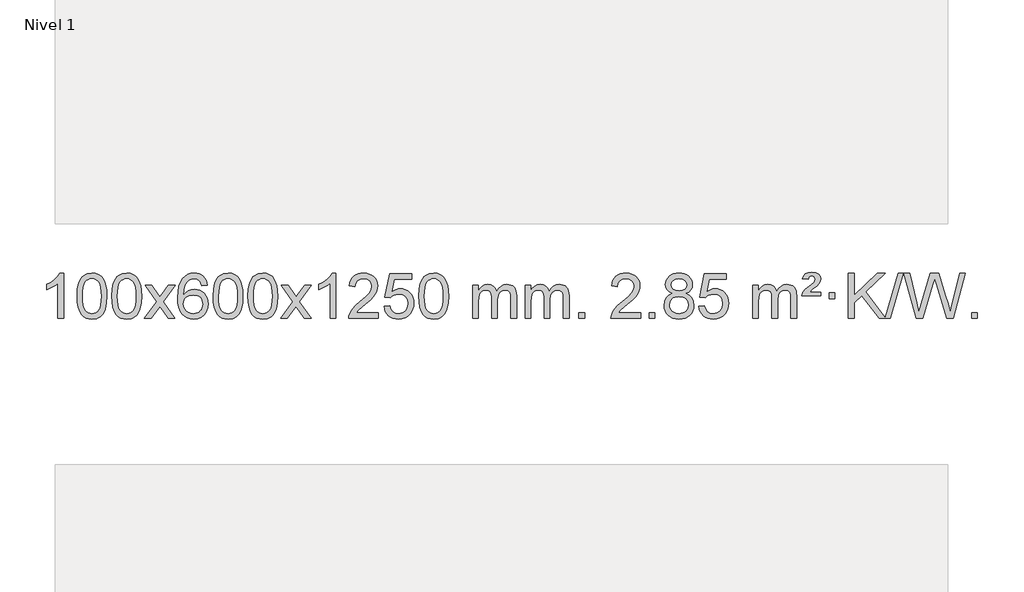
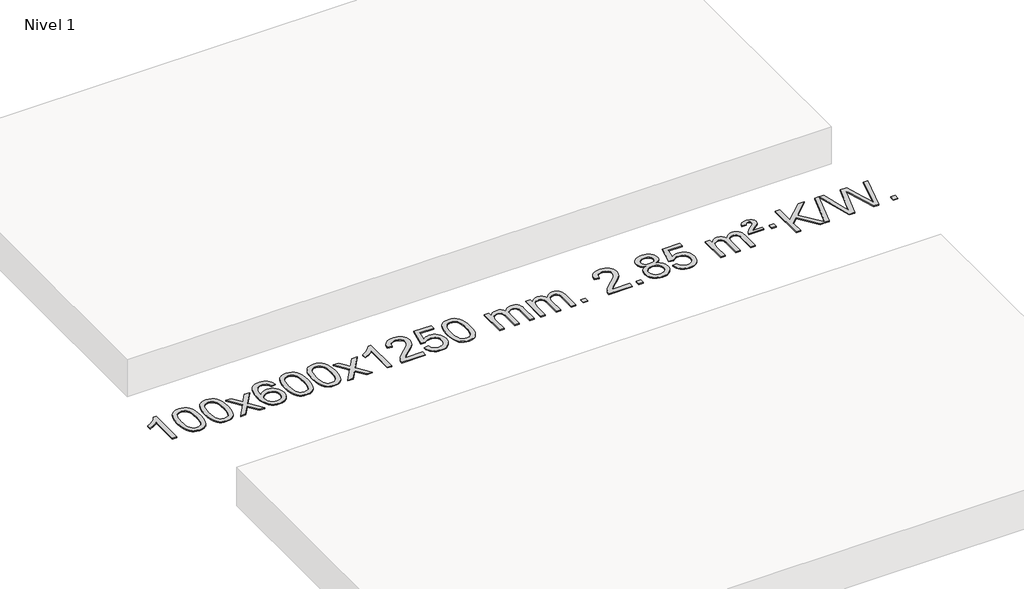
# One storey, part 3 of 5: 1 proxy.
"""IFC4 building model written with IfcOpenShell, lengths in millimetres."""

from ifc_helpers import new_model, si_unit, origin, origin_with_axes, place, context, project, spatial, polyline, outline, extrude, element, save

model = new_model("IFC4")

# Units and contexts
model_context = context("Model", 3, world=origin())
ifc_project = project(units=[si_unit("LENGTHUNIT", "METRE", prefix="MILLI")], contexts=[model_context])

# Site, building, storey
site = spatial("IfcSite", under=ifc_project)
building = spatial("IfcBuilding", under=site)
storey = spatial("IfcBuildingStorey", under=building, Name="Nivel 1", Elevation=0.0)

# Proxy
placement = place(None, origin())
element("IfcBuildingElementProxy", 1, Name="Texto de modelo 1", ObjectType="Texto de modelo 1", at=placement, inside=storey, context=model_context, shape_type="SweptSolid", body=[
    extrude(outline(polyline([(-25945.4422492, -6484.6168569), (-25995.6704043, -6484.6168569), (-25995.6704043, -6171.4757026), (-26016.639678, -6188.4350626), (-26043.249809, -6205.3698971), (-26096.1267145, -6230.7292293), (-26096.1267145, -6183.2479264), (-26056.6775018, -6161.7881434), (-26022.5012645, -6136.2571329), (-25995.5600397, -6109.1074417), (-25977.8158648, -6082.7916163), (-25945.4422492, -6082.7916163), (-25945.4422492, -6484.6168569)])), origin_with_axes(), (0.0, 0.0, 1.0), 10.0),
    extrude(outline(polyline([(-25826.1503809, -6286.9415981), (-25822.4592982, -6222.6235626), (-25811.3860502, -6171.3285498), (-25793.0410014, -6132.2717446), (-25781.1829384, -6117.0383643), (-25767.5345164, -6104.6683323), (-25752.0497501, -6095.097269), (-25734.6826542, -6088.2607953), (-25694.3014739, -6082.7916163), (-25663.3503353, -6086.0289778), (-25635.6365584, -6095.7410625), (-25612.4599927, -6111.5477256), (-25595.120488, -6133.0688223), (-25582.0238889, -6160.1204117), (-25571.5760403, -6192.5185527), (-25564.7334352, -6233.6600225), (-25562.4525668, -6286.9415981), (-25566.1068613, -6350.8917516), (-25577.0697447, -6402.0641372), (-25595.304429, -6441.1577305), (-25607.1349008, -6456.437096), (-25620.7741258, -6468.8715075), (-25636.2772862, -6478.5069501), (-25653.6995643, -6485.3894091), (-25694.3014739, -6490.8953763), (-25721.9661999, -6488.5041433), (-25746.4916662, -6481.3304444), (-25767.8778729, -6469.3742795), (-25786.1248199, -6452.6356488), (-25803.6360028, -6422.3773547), (-25816.1439907, -6384.6755815), (-25823.6487834, -6339.5303293), (-25826.1503809, -6286.9415981)]), holes=[polyline([(-25775.9222259, -6286.8434963), (-25774.4506979, -6330.5080234), (-25770.0361139, -6365.8522861), (-25762.678474, -6392.8762843), (-25752.3777782, -6411.5800181), (-25739.9188413, -6424.3056694), (-25726.0864782, -6433.3954204), (-25710.8806891, -6438.849271), (-25694.3014739, -6440.6672212), (-25677.7222586, -6438.8431396), (-25662.5164695, -6433.3708949), (-25648.6841065, -6424.2504871), (-25636.2251696, -6411.4819162), (-25625.9244737, -6392.7475256), (-25618.5668338, -6365.7296588), (-25614.1522498, -6330.4283156), (-25612.6807219, -6286.8434963), (-25614.1031989, -6244.3347317), (-25618.3706301, -6209.6128027), (-25625.4830153, -6182.6777093), (-25635.4403546, -6163.5294515), (-25647.6908251, -6150.1814664), (-25661.6826036, -6140.6471914), (-25677.4156903, -6134.9266264), (-25694.8900851, -6133.0197713), (-25711.3834612, -6134.6997658), (-25726.3317329, -6139.7397491), (-25739.7349003, -6148.1397213), (-25751.5929632, -6159.8996825), (-25762.2370156, -6180.7463289), (-25769.8399102, -6208.8525133), (-25774.4016469, -6244.2182358), (-25775.9222259, -6286.8434963)])]), origin_with_axes(), (0.0, 0.0, 1.0), 10.0),
    extrude(outline(polyline([(-25518.5029311, -6286.9415981), (-25514.8118484, -6222.6235626), (-25503.7386004, -6171.3285498), (-25485.3935515, -6132.2717446), (-25473.5354886, -6117.0383643), (-25459.8870665, -6104.6683323), (-25444.4023002, -6095.097269), (-25427.0352044, -6088.2607953), (-25386.654024, -6082.7916163), (-25355.7028855, -6086.0289778), (-25327.9891085, -6095.7410625), (-25304.8125428, -6111.5477256), (-25287.4730381, -6133.0688223), (-25274.3764391, -6160.1204117), (-25263.9285904, -6192.5185527), (-25257.0859853, -6233.6600225), (-25254.805117, -6286.9415981), (-25258.4594114, -6350.8917516), (-25269.4222949, -6402.0641372), (-25287.6569791, -6441.1577305), (-25299.487451, -6456.437096), (-25313.1266759, -6468.8715075), (-25328.6298363, -6478.5069501), (-25346.0521145, -6485.3894091), (-25386.654024, -6490.8953763), (-25414.3187501, -6488.5041433), (-25438.8442164, -6481.3304444), (-25460.2304231, -6469.3742795), (-25478.47737, -6452.6356488), (-25495.988553, -6422.3773547), (-25508.4965408, -6384.6755815), (-25516.0013335, -6339.5303293), (-25518.5029311, -6286.9415981)]), holes=[polyline([(-25468.274776, -6286.8434963), (-25466.803248, -6330.5080234), (-25462.3886641, -6365.8522861), (-25455.0310242, -6392.8762843), (-25444.7303283, -6411.5800181), (-25432.2713914, -6424.3056694), (-25418.4390284, -6433.3954204), (-25403.2332393, -6438.849271), (-25386.654024, -6440.6672212), (-25370.0748088, -6438.8431396), (-25354.8690196, -6433.3708949), (-25341.0366566, -6424.2504871), (-25328.5777197, -6411.4819162), (-25318.2770239, -6392.7475256), (-25310.919384, -6365.7296588), (-25306.5048, -6330.4283156), (-25305.033272, -6286.8434963), (-25306.4557491, -6244.3347317), (-25310.7231802, -6209.6128027), (-25317.8355655, -6182.6777093), (-25327.7929048, -6163.5294515), (-25340.0433752, -6150.1814664), (-25354.0351538, -6140.6471914), (-25369.7682404, -6134.9266264), (-25387.2426352, -6133.0197713), (-25403.7360113, -6134.6997658), (-25418.6842831, -6139.7397491), (-25432.0874504, -6148.1397213), (-25443.9455134, -6159.8996825), (-25454.5895658, -6180.7463289), (-25462.1924604, -6208.8525133), (-25466.7541971, -6244.2182358), (-25468.274776, -6286.8434963)])]), origin_with_axes(), (0.0, 0.0, 1.0), 10.0),
    extrude(outline(polyline([(-25229.6910394, -6484.6168569), (-25122.3675987, -6336.2868364), (-25223.41252, -6189.5264458), (-25162.981771, -6189.5264458), (-25114.2251439, -6260.1597889), (-25091.4655111, -6293.5144231), (-25071.7470362, -6266.2421045), (-25016.2213804, -6189.5264458), (-24955.7906313, -6189.5264458), (-25061.9368496, -6336.2868364), (-24959.7147059, -6484.6168569), (-25020.145455, -6484.6168569), (-25081.6553246, -6395.4422612), (-25092.9370391, -6379.1573516), (-25169.2602903, -6484.6168569), (-25229.6910394, -6484.6168569)])), origin_with_axes(), (0.0, 0.0, 1.0), 10.0),
    extrude(outline(polyline([(-24670.9028142, -6189.5264458), (-24721.1309693, -6195.8049652), (-24729.2243732, -6170.9116168), (-24740.1627312, -6153.9154687), (-24762.9468894, -6138.2436957), (-24790.4889881, -6133.0197713), (-24813.8372321, -6136.0609292), (-24835.8120499, -6145.1844027), (-24854.6843963, -6164.4001055), (-24870.0986519, -6190.850821), (-24880.5097123, -6228.2644199), (-24884.3724733, -6280.3687731), (-24864.2248027, -6256.8611137), (-24840.0794811, -6240.2941611), (-24813.2854091, -6230.4717119), (-24785.1914874, -6227.1975621), (-24761.0584285, -6229.4355109), (-24738.7893051, -6236.1493573), (-24718.3841171, -6247.3391013), (-24699.8428645, -6263.004743), (-24684.4347403, -6282.2143145), (-24673.4289372, -6304.0358482), (-24666.8254554, -6328.469344), (-24664.6242948, -6355.514802), (-24668.7690986, -6391.4813984), (-24681.2035101, -6424.8237699), (-24700.8974596, -6453.1016326), (-24726.8208775, -6473.8747026), (-24757.7965415, -6486.6402078), (-24792.6472291, -6490.8953763), (-24822.5897579, -6488.0749476), (-24849.6321502, -6479.6136617), (-24873.7744061, -6465.5115186), (-24895.0165257, -6445.7685182), (-24912.3345706, -6419.5507947), (-24924.7046027, -6386.0244822), (-24932.1266219, -6345.1895807), (-24934.6006284, -6297.0460903), (-24931.8537761, -6243.0716702), (-24923.6132194, -6197.006713), (-24909.8789583, -6158.8512188), (-24890.6509927, -6128.6051874), (-24869.8104776, -6108.56175), (-24845.6467619, -6094.2450091), (-24818.1598455, -6085.6549645), (-24787.3497284, -6082.7916163), (-24764.2160823, -6084.5635812), (-24743.2774654, -6089.879476), (-24724.5338777, -6098.7393008), (-24707.9853193, -6111.1430554), (-24694.0793799, -6126.6738069), (-24683.2636492, -6144.9146225), (-24675.5381274, -6165.8655021), (-24670.9028142, -6189.5264458)]), holes=[polyline([(-24884.3724733, -6354.7299871), (-24881.4662055, -6376.9868478), (-24872.7474022, -6398.2381644), (-24859.2093448, -6416.5096368), (-24841.8453146, -6429.8269651), (-24820.8883036, -6437.9571571), (-24796.5713038, -6440.6672212), (-24763.425136, -6435.0508894), (-24749.5099995, -6428.0304746), (-24737.366828, -6418.201894), (-24727.5167876, -6405.9636863), (-24720.4810444, -6391.7143904), (-24714.8524499, -6357.1825337), (-24720.407468, -6324.036366), (-24727.3512407, -6310.4155351), (-24737.0725224, -6298.7628729), (-24749.2524821, -6289.4278673), (-24763.5722888, -6282.7600061), (-24798.6314429, -6277.4257172), (-24831.7285598, -6282.7600061), (-24859.4055485, -6298.7628729), (-24870.3285781, -6310.2622509), (-24878.1307421, -6323.4232293), (-24882.8120405, -6338.245808), (-24884.3724733, -6354.7299871)])]), origin_with_axes(), (0.0, 0.0, 1.0), 10.0),
    extrude(outline(polyline([(-24620.6746591, -6286.9415981), (-24616.9835765, -6222.6235626), (-24605.9103284, -6171.3285498), (-24587.5652796, -6132.2717446), (-24575.7072166, -6117.0383643), (-24562.0587946, -6104.6683323), (-24546.5740283, -6095.097269), (-24529.2069324, -6088.2607953), (-24488.8257521, -6082.7916163), (-24457.8746135, -6086.0289778), (-24430.1608366, -6095.7410625), (-24406.9842709, -6111.5477256), (-24389.6447662, -6133.0688223), (-24376.5481671, -6160.1204117), (-24366.1003185, -6192.5185527), (-24359.2577134, -6233.6600225), (-24356.976845, -6286.9415981), (-24360.6311395, -6350.8917516), (-24371.5940229, -6402.0641372), (-24389.8287072, -6441.1577305), (-24401.659179, -6456.437096), (-24415.298404, -6468.8715075), (-24430.8015644, -6478.5069501), (-24448.2238425, -6485.3894091), (-24488.8257521, -6490.8953763), (-24516.4904781, -6488.5041433), (-24541.0159444, -6481.3304444), (-24562.4021511, -6469.3742795), (-24580.6490981, -6452.6356488), (-24598.160281, -6422.3773547), (-24610.6682689, -6384.6755815), (-24618.1730616, -6339.5303293), (-24620.6746591, -6286.9415981)]), holes=[polyline([(-24570.4465041, -6286.8434963), (-24568.9749761, -6330.5080234), (-24564.5603921, -6365.8522861), (-24557.2027522, -6392.8762843), (-24546.9020564, -6411.5800181), (-24534.4431195, -6424.3056694), (-24520.6107564, -6433.3954204), (-24505.4049673, -6438.849271), (-24488.8257521, -6440.6672212), (-24472.2465368, -6438.8431396), (-24457.0407477, -6433.3708949), (-24443.2083847, -6424.2504871), (-24430.7494478, -6411.4819162), (-24420.4487519, -6392.7475256), (-24413.091112, -6365.7296588), (-24408.676528, -6330.4283156), (-24407.2050001, -6286.8434963), (-24408.6274771, -6244.3347317), (-24412.8949083, -6209.6128027), (-24420.0072935, -6182.6777093), (-24429.9646328, -6163.5294515), (-24442.2151033, -6150.1814664), (-24456.2068818, -6140.6471914), (-24471.9399685, -6134.9266264), (-24489.4143633, -6133.0197713), (-24505.9077394, -6134.6997658), (-24520.8560111, -6139.7397491), (-24534.2591785, -6148.1397213), (-24546.1172414, -6159.8996825), (-24556.7612938, -6180.7463289), (-24564.3641884, -6208.8525133), (-24568.9259251, -6244.2182358), (-24570.4465041, -6286.8434963)])]), origin_with_axes(), (0.0, 0.0, 1.0), 10.0),
    extrude(outline(polyline([(-24313.0272093, -6286.9415981), (-24309.3361266, -6222.6235626), (-24298.2628786, -6171.3285498), (-24279.9178297, -6132.2717446), (-24268.0597668, -6117.0383643), (-24254.4113447, -6104.6683323), (-24238.9265784, -6095.097269), (-24221.5594826, -6088.2607953), (-24181.1783022, -6082.7916163), (-24150.2271637, -6086.0289778), (-24122.5133867, -6095.7410625), (-24099.336821, -6111.5477256), (-24081.9973163, -6133.0688223), (-24068.9007173, -6160.1204117), (-24058.4528686, -6192.5185527), (-24051.6102635, -6233.6600225), (-24049.3293952, -6286.9415981), (-24052.9836896, -6350.8917516), (-24063.9465731, -6402.0641372), (-24082.1812573, -6441.1577305), (-24094.0117292, -6456.437096), (-24107.6509541, -6468.8715075), (-24123.1541145, -6478.5069501), (-24140.5763927, -6485.3894091), (-24181.1783022, -6490.8953763), (-24208.8430283, -6488.5041433), (-24233.3684946, -6481.3304444), (-24254.7547013, -6469.3742795), (-24273.0016482, -6452.6356488), (-24290.5128312, -6422.3773547), (-24303.020819, -6384.6755815), (-24310.5256117, -6339.5303293), (-24313.0272093, -6286.9415981)]), holes=[polyline([(-24262.7990542, -6286.8434963), (-24261.3275262, -6330.5080234), (-24256.9129423, -6365.8522861), (-24249.5553024, -6392.8762843), (-24239.2546065, -6411.5800181), (-24226.7956696, -6424.3056694), (-24212.9633066, -6433.3954204), (-24197.7575175, -6438.849271), (-24181.1783022, -6440.6672212), (-24164.599087, -6438.8431396), (-24149.3932978, -6433.3708949), (-24135.5609348, -6424.2504871), (-24123.1019979, -6411.4819162), (-24112.8013021, -6392.7475256), (-24105.4436622, -6365.7296588), (-24101.0290782, -6330.4283156), (-24099.5575502, -6286.8434963), (-24100.9800273, -6244.3347317), (-24105.2474584, -6209.6128027), (-24112.3598437, -6182.6777093), (-24122.317183, -6163.5294515), (-24134.5676534, -6150.1814664), (-24148.559432, -6140.6471914), (-24164.2925187, -6134.9266264), (-24181.7669134, -6133.0197713), (-24198.2602895, -6134.6997658), (-24213.2085613, -6139.7397491), (-24226.6117286, -6148.1397213), (-24238.4697916, -6159.8996825), (-24249.113844, -6180.7463289), (-24256.7167386, -6208.8525133), (-24261.2784753, -6244.2182358), (-24262.7990542, -6286.8434963)])]), origin_with_axes(), (0.0, 0.0, 1.0), 10.0),
    extrude(outline(polyline([(-24024.2153176, -6484.6168569), (-23916.8918769, -6336.2868364), (-24017.9367982, -6189.5264458), (-23957.5060492, -6189.5264458), (-23908.7494221, -6260.1597889), (-23885.9897893, -6293.5144231), (-23866.2713144, -6266.2421045), (-23810.7456586, -6189.5264458), (-23750.3149095, -6189.5264458), (-23856.4611278, -6336.2868364), (-23754.2389841, -6484.6168569), (-23814.6697332, -6484.6168569), (-23876.1796028, -6395.4422612), (-23887.4613173, -6379.1573516), (-23963.7845685, -6484.6168569), (-24024.2153176, -6484.6168569)])), origin_with_axes(), (0.0, 0.0, 1.0), 10.0),
    extrude(outline(polyline([(-23534.4908056, -6484.6168569), (-23584.7189607, -6484.6168569), (-23584.7189607, -6171.4757026), (-23605.6882344, -6188.4350626), (-23632.2983654, -6205.3698971), (-23685.1752709, -6230.7292293), (-23685.1752709, -6183.2479264), (-23645.7260583, -6161.7881434), (-23611.5498209, -6136.2571329), (-23584.6085961, -6109.1074417), (-23566.8644212, -6082.7916163), (-23534.4908056, -6082.7916163), (-23534.4908056, -6484.6168569)])), origin_with_axes(), (0.0, 0.0, 1.0), 10.0),
    extrude(outline(polyline([(-23157.7796426, -6434.3887018), (-23157.7796426, -6484.6168569), (-23421.4774567, -6484.6168569), (-23420.3738107, -6466.9339956), (-23416.0818541, -6449.9868984), (-23403.6964936, -6422.9230463), (-23385.572174, -6396.6685346), (-23359.3544505, -6369.1877495), (-23322.6888783, -6338.4450775), (-23268.4875977, -6290.301587), (-23235.9668293, -6254.7641863), (-23219.7064451, -6225.9222379), (-23214.286317, -6197.8651044), (-23219.3998768, -6172.7142386), (-23234.740556, -6151.8062786), (-23258.3217919, -6137.7163982), (-23288.1570217, -6133.0197713), (-23319.4883049, -6137.6060336), (-23343.8298303, -6151.3648202), (-23359.5383915, -6173.2170107), (-23364.9707823, -6202.0834846), (-23415.1989373, -6195.8049652), (-23410.8793896, -6169.8754159), (-23403.0220433, -6147.2200164), (-23391.6268985, -6127.8387666), (-23376.6939552, -6111.7316666), (-23358.5665699, -6099.0703946), (-23337.5880991, -6090.0266288), (-23313.7585429, -6084.6003694), (-23287.0779012, -6082.7916163), (-23260.1581362, -6084.8027045), (-23236.1998212, -6090.8359692), (-23215.2029563, -6100.8914104), (-23197.1675415, -6114.9690281), (-23182.682188, -6132.02649), (-23172.3355069, -6151.0214636), (-23166.1274982, -6171.9539492), (-23164.058162, -6194.8239465), (-23166.2899794, -6218.8466408), (-23172.9854317, -6242.4524022), (-23184.8680202, -6266.4628337), (-23202.661246, -6291.6995386), (-23231.0249478, -6321.829074), (-23274.6189643, -6360.5179972), (-23332.400963, -6408.8331659), (-23355.0624939, -6434.3887018), (-23157.7796426, -6434.3887018)])), origin_with_axes(), (0.0, 0.0, 1.0), 10.0),
    extrude(outline(polyline([(-23107.5514875, -6377.8820273), (-23057.3233324, -6371.603508), (-23048.1017571, -6401.7575688), (-23032.0130512, -6423.3522419), (-23009.1307911, -6436.3384764), (-22979.5285532, -6440.6672212), (-22960.3986894, -6439.1619707), (-22943.5251686, -6434.6462192), (-22928.9079907, -6427.1199667), (-22916.5471556, -6416.5832132), (-22906.718575, -6403.5571249), (-22899.6981602, -6388.5628679), (-22894.0818284, -6352.6698479), (-22899.342541, -6318.8737553), (-22905.9184316, -6304.9555532), (-22915.1246786, -6293.0239138), (-22926.9919386, -6283.4528505), (-22941.5508686, -6276.6163768), (-22978.7437383, -6271.1471978), (-23003.1097891, -6273.3299643), (-23022.8405268, -6279.8782638), (-23038.5981389, -6289.9091796), (-23051.044813, -6302.5397947), (-23101.2729681, -6296.2612753), (-23057.3233324, -6089.0701357), (-22862.6892315, -6089.0701357), (-22862.6892315, -6139.2982907), (-23016.7091602, -6139.2982907), (-23038.1934687, -6249.9571949), (-23020.4676879, -6237.2530033), (-23002.3127114, -6228.1785808), (-22983.7285393, -6222.7339272), (-22964.7151715, -6220.9190427), (-22940.2540845, -6223.1692543), (-22917.7856917, -6229.9198889), (-22897.3099929, -6241.1709466), (-22878.8269884, -6256.9224273), (-22863.5261631, -6276.2117066), (-22852.5970021, -6298.0761598), (-22846.0395056, -6322.5157871), (-22843.8536734, -6349.5305882), (-22845.821842, -6375.552108), (-22851.7263481, -6399.7587433), (-22861.5671914, -6422.1504941), (-22875.3443722, -6442.7273604), (-22896.215544, -6463.8008673), (-22920.5693321, -6478.8533723), (-22948.4057364, -6487.8848753), (-22979.7247569, -6490.8953763), (-23005.6451092, -6488.9609301), (-23029.0577325, -6483.1575916), (-23049.9626268, -6473.4853608), (-23068.3597923, -6459.9442377), (-23083.666749, -6443.2086726), (-23095.3010171, -6423.9531159), (-23103.2625966, -6402.1775674), (-23107.5514875, -6377.8820273)])), origin_with_axes(), (0.0, 0.0, 1.0), 10.0),
    extrude(outline(polyline([(-22799.9040377, -6286.9415981), (-22796.212955, -6222.6235626), (-22785.1397069, -6171.3285498), (-22766.7946581, -6132.2717446), (-22754.9365951, -6117.0383643), (-22741.2881731, -6104.6683323), (-22725.8034068, -6095.097269), (-22708.4363109, -6088.2607953), (-22668.0551306, -6082.7916163), (-22637.1039921, -6086.0289778), (-22609.3902151, -6095.7410625), (-22586.2136494, -6111.5477256), (-22568.8741447, -6133.0688223), (-22555.7775457, -6160.1204117), (-22545.329697, -6192.5185527), (-22538.4870919, -6233.6600225), (-22536.2062235, -6286.9415981), (-22539.860518, -6350.8917516), (-22550.8234015, -6402.0641372), (-22569.0580857, -6441.1577305), (-22580.8885575, -6456.437096), (-22594.5277825, -6468.8715075), (-22610.0309429, -6478.5069501), (-22627.4532211, -6485.3894091), (-22668.0551306, -6490.8953763), (-22695.7198566, -6488.5041433), (-22720.245323, -6481.3304444), (-22741.6315296, -6469.3742795), (-22759.8784766, -6452.6356488), (-22777.3896596, -6422.3773547), (-22789.8976474, -6384.6755815), (-22797.4024401, -6339.5303293), (-22799.9040377, -6286.9415981)]), holes=[polyline([(-22749.6758826, -6286.8434963), (-22748.2043546, -6330.5080234), (-22743.7897707, -6365.8522861), (-22736.4321308, -6392.8762843), (-22726.1314349, -6411.5800181), (-22713.672498, -6424.3056694), (-22699.840135, -6433.3954204), (-22684.6343459, -6438.849271), (-22668.0551306, -6440.6672212), (-22651.4759154, -6438.8431396), (-22636.2701262, -6433.3708949), (-22622.4377632, -6424.2504871), (-22609.9788263, -6411.4819162), (-22599.6781304, -6392.7475256), (-22592.3204905, -6365.7296588), (-22587.9059066, -6330.4283156), (-22586.4343786, -6286.8434963), (-22587.8568557, -6244.3347317), (-22592.1242868, -6209.6128027), (-22599.236672, -6182.6777093), (-22609.1940114, -6163.5294515), (-22621.4444818, -6150.1814664), (-22635.4362604, -6140.6471914), (-22651.169347, -6134.9266264), (-22668.6437418, -6133.0197713), (-22685.1371179, -6134.6997658), (-22700.0853897, -6139.7397491), (-22713.488557, -6148.1397213), (-22725.34662, -6159.8996825), (-22735.9906724, -6180.7463289), (-22743.5935669, -6208.8525133), (-22748.1553037, -6244.2182358), (-22749.6758826, -6286.8434963)])]), origin_with_axes(), (0.0, 0.0, 1.0), 10.0),
    extrude(outline(polyline([(-22322.7365645, -6484.6168569), (-22322.7365645, -6189.5264458), (-22272.5084094, -6189.5264458), (-22272.5084094, -6238.0868692), (-22257.4007221, -6215.7809575), (-22237.9765528, -6198.3065628), (-22214.8980889, -6187.0125855), (-22188.8275182, -6183.2479264), (-22160.8930121, -6187.0861619), (-22138.5012613, -6198.6008684), (-22121.7748932, -6217.0317563), (-22110.8365352, -6241.6185363), (-22092.5282746, -6216.0813945), (-22071.64484, -6197.8405789), (-22048.1862315, -6186.8960895), (-22022.1524489, -6183.2479264), (-22002.0446322, -6184.7654397), (-21984.3954935, -6189.3179793), (-21969.2050328, -6196.9055455), (-21956.4732501, -6207.5281381), (-21946.4086118, -6221.3083845), (-21939.2195845, -6238.368912), (-21934.9061681, -6258.7097207), (-21933.4683626, -6282.3308105), (-21933.4683626, -6484.6168569), (-21983.6965177, -6484.6168569), (-21983.6965177, -6303.9132208), (-21984.8614774, -6278.860457), (-21988.3563563, -6261.9746734), (-21994.9046558, -6250.410916), (-22005.2298772, -6241.3242307), (-22018.5104172, -6235.4381188), (-22033.9246728, -6233.4760815), (-22061.1356777, -6238.5038021), (-22083.318962, -6253.5869639), (-22091.924335, -6265.1568526), (-22098.07103, -6279.7556365), (-22102.988386, -6318.0398895), (-22102.988386, -6484.6168569), (-22153.2165411, -6484.6168569), (-22153.2165411, -6298.3214145), (-22156.1228088, -6269.9209245), (-22164.8416121, -6249.6628893), (-22180.1822913, -6237.5227834), (-22202.9541868, -6233.4760815), (-22222.3047798, -6236.1738828), (-22240.1347938, -6244.2672867), (-22254.8500736, -6257.5600894), (-22264.8564639, -6275.8560873), (-22270.595423, -6301.239945), (-22272.5084094, -6335.7963271), (-22272.5084094, -6484.6168569), (-22322.7365645, -6484.6168569)])), origin_with_axes(), (0.0, 0.0, 1.0), 10.0),
    extrude(outline(polyline([(-21858.12613, -6484.6168569), (-21858.12613, -6189.5264458), (-21807.8979749, -6189.5264458), (-21807.8979749, -6238.0868692), (-21792.7902877, -6215.7809575), (-21773.3661183, -6198.3065628), (-21750.2876545, -6187.0125855), (-21724.2170838, -6183.2479264), (-21696.2825776, -6187.0861619), (-21673.8908268, -6198.6008684), (-21657.1644588, -6217.0317563), (-21646.2261008, -6241.6185363), (-21627.9178402, -6216.0813945), (-21607.0344056, -6197.8405789), (-21583.575797, -6186.8960895), (-21557.5420145, -6183.2479264), (-21537.4341978, -6184.7654397), (-21519.7850591, -6189.3179793), (-21504.5945983, -6196.9055455), (-21491.8628156, -6207.5281381), (-21481.7981774, -6221.3083845), (-21474.6091501, -6238.368912), (-21470.2957337, -6258.7097207), (-21468.8579282, -6282.3308105), (-21468.8579282, -6484.6168569), (-21519.0860833, -6484.6168569), (-21519.0860833, -6303.9132208), (-21520.2510429, -6278.860457), (-21523.7459219, -6261.9746734), (-21530.2942214, -6250.410916), (-21540.6194427, -6241.3242307), (-21553.8999827, -6235.4381188), (-21569.3142383, -6233.4760815), (-21596.5252433, -6238.5038021), (-21618.7085276, -6253.5869639), (-21627.3139006, -6265.1568526), (-21633.4605956, -6279.7556365), (-21638.3779516, -6318.0398895), (-21638.3779516, -6484.6168569), (-21688.6061066, -6484.6168569), (-21688.6061066, -6298.3214145), (-21691.5123744, -6269.9209245), (-21700.2311777, -6249.6628893), (-21715.5718569, -6237.5227834), (-21738.3437524, -6233.4760815), (-21757.6943453, -6236.1738828), (-21775.5243594, -6244.2672867), (-21790.2396392, -6257.5600894), (-21800.2460294, -6275.8560873), (-21805.9849886, -6301.239945), (-21807.8979749, -6335.7963271), (-21807.8979749, -6484.6168569), (-21858.12613, -6484.6168569)])), origin_with_axes(), (0.0, 0.0, 1.0), 10.0),
    extrude(outline(polyline([(-21380.9586568, -6484.6168569), (-21380.9586568, -6434.3887018), (-21330.7305017, -6434.3887018), (-21330.7305017, -6484.6168569), (-21380.9586568, -6484.6168569)])), origin_with_axes(), (0.0, 0.0, 1.0), 10.0),
    extrude(outline(polyline([(-20834.7274704, -6434.3887018), (-20834.7274704, -6484.6168569), (-21098.4252845, -6484.6168569), (-21097.3216385, -6466.9339956), (-21093.0296819, -6449.9868984), (-21080.6443214, -6422.9230463), (-21062.5200018, -6396.6685346), (-21036.3022783, -6369.1877495), (-20999.6367061, -6338.4450775), (-20945.4354255, -6290.301587), (-20912.9146571, -6254.7641863), (-20896.6542729, -6225.9222379), (-20891.2341448, -6197.8651044), (-20896.3477046, -6172.7142386), (-20911.6883838, -6151.8062786), (-20935.2696197, -6137.7163982), (-20965.1048495, -6133.0197713), (-20996.4361327, -6137.6060336), (-21020.7776581, -6151.3648202), (-21036.4862193, -6173.2170107), (-21041.9186101, -6202.0834846), (-21092.1467651, -6195.8049652), (-21087.8272174, -6169.8754159), (-21079.9698711, -6147.2200164), (-21068.5747263, -6127.8387666), (-21053.641783, -6111.7316666), (-21035.5143977, -6099.0703946), (-21014.5359269, -6090.0266288), (-20990.7063706, -6084.6003694), (-20964.0257289, -6082.7916163), (-20937.1059639, -6084.8027045), (-20913.147649, -6090.8359692), (-20892.1507841, -6100.8914104), (-20874.1153693, -6114.9690281), (-20859.6300158, -6132.02649), (-20849.2833346, -6151.0214636), (-20843.075326, -6171.9539492), (-20841.0059898, -6194.8239465), (-20843.2378072, -6218.8466408), (-20849.9332595, -6242.4524022), (-20861.815848, -6266.4628337), (-20879.6090738, -6291.6995386), (-20907.9727756, -6321.829074), (-20951.566792, -6360.5179972), (-21009.3487908, -6408.8331659), (-21032.0103217, -6434.3887018), (-20834.7274704, -6434.3887018)])), origin_with_axes(), (0.0, 0.0, 1.0), 10.0),
    extrude(outline(polyline([(-20759.3852378, -6484.6168569), (-20759.3852378, -6434.3887018), (-20709.1570827, -6434.3887018), (-20709.1570827, -6484.6168569), (-20759.3852378, -6484.6168569)])), origin_with_axes(), (0.0, 0.0, 1.0), 10.0),
    extrude(outline(polyline([(-20554.3523391, -6263.2990486), (-20581.244513, -6250.0552967), (-20600.1168593, -6232.1026554), (-20611.2636838, -6209.8090065), (-20614.9792919, -6183.542232), (-20612.9559409, -6163.0573363), (-20606.885888, -6144.2769604), (-20596.7691332, -6127.2011045), (-20582.6056763, -6111.8297684), (-20565.0760993, -6099.1255769), (-20544.8609836, -6090.0511543), (-20521.9603294, -6084.6065008), (-20496.3741367, -6082.7916163), (-20470.6653166, -6084.6494203), (-20447.5929841, -6090.2228326), (-20427.1571393, -6099.511853), (-20409.3577821, -6112.5164815), (-20394.9368079, -6128.1882545), (-20384.636112, -6145.4787082), (-20378.4556945, -6164.3878428), (-20376.3955553, -6184.9156581), (-20380.0621125, -6210.336304), (-20391.0617842, -6232.2498082), (-20409.5171976, -6250.0920849), (-20435.5509801, -6263.2990486), (-20404.6366298, -6279.228339), (-20382.1345144, -6302.6869475), (-20368.412516, -6332.5467028), (-20363.8385165, -6367.6794333), (-20366.1071222, -6392.7321972), (-20372.9129391, -6415.7002964), (-20384.2559673, -6436.583731), (-20400.1362067, -6455.382501), (-20419.7197916, -6470.9193839), (-20442.1728561, -6482.0171574), (-20467.4954001, -6488.6758215), (-20495.6874236, -6490.8953763), (-20523.8794472, -6488.6666245), (-20549.2019912, -6481.9803692), (-20571.6550556, -6470.8366105), (-20591.2386405, -6455.2353482), (-20607.11888, -6436.3047539), (-20618.4619081, -6415.1729989), (-20625.2677251, -6391.8400834), (-20627.5363307, -6366.3060072), (-20622.7783902, -6329.8121133), (-20608.5045688, -6299.7929425), (-20585.4506304, -6277.2785644), (-20554.3523391, -6263.2990486)]), holes=[polyline([(-20564.7511368, -6185.01376), (-20560.2997647, -6206.9395269), (-20546.9456483, -6224.4507099), (-20525.081195, -6235.9286281), (-20495.0988124, -6239.7546009), (-20465.8154056, -6235.9531536), (-20444.2820462, -6224.5488117), (-20431.0382943, -6207.62624), (-20426.6237104, -6187.2701029), (-20431.1854471, -6166.1414136), (-20444.8706574, -6148.6670189), (-20466.6983224, -6136.9315832), (-20495.6874236, -6133.0197713), (-20524.8604658, -6136.8457441), (-20546.6513427, -6148.3236623), (-20560.2261883, -6165.1481323), (-20564.7511368, -6185.01376)]), polyline([(-20577.3081756, -6364.5401736), (-20575.2112482, -6383.7558765), (-20568.9204661, -6402.3584427), (-20557.3076578, -6418.5820387), (-20539.2446518, -6430.6608309), (-20517.6131905, -6438.1656236), (-20495.2950162, -6440.6672212), (-20461.1065161, -6435.4065086), (-20447.2128394, -6428.830618), (-20435.4528783, -6419.6243711), (-20419.4132233, -6395.7243041), (-20414.0666716, -6366.1098035), (-20419.5849015, -6335.9925308), (-20436.1395913, -6311.5651663), (-20448.2183835, -6302.1228618), (-20462.3818403, -6295.3783586), (-20496.9627479, -6289.982756), (-20530.6730014, -6295.3047822), (-20544.4103282, -6301.9573149), (-20556.0691218, -6311.2708607), (-20571.9984122, -6335.2322414), (-20577.3081756, -6364.5401736)])]), origin_with_axes(), (0.0, 0.0, 1.0), 10.0),
    extrude(outline(polyline([(-20319.8888809, -6377.8820273), (-20269.6607258, -6371.603508), (-20260.4391504, -6401.7575688), (-20244.3504445, -6423.3522419), (-20221.4681844, -6436.3384764), (-20191.8659465, -6440.6672212), (-20172.7360828, -6439.1619707), (-20155.8625619, -6434.6462192), (-20141.245384, -6427.1199667), (-20128.884549, -6416.5832132), (-20119.0559683, -6403.5571249), (-20112.0355536, -6388.5628679), (-20106.4192218, -6352.6698479), (-20111.6799343, -6318.8737553), (-20118.255825, -6304.9555532), (-20127.4620719, -6293.0239138), (-20139.3293319, -6283.4528505), (-20153.8882619, -6276.6163768), (-20191.0811316, -6271.1471978), (-20215.4471824, -6273.3299643), (-20235.1779201, -6279.8782638), (-20250.9355322, -6289.9091796), (-20263.3822064, -6302.5397947), (-20313.6103615, -6296.2612753), (-20269.6607258, -6089.0701357), (-20075.0266249, -6089.0701357), (-20075.0266249, -6139.2982907), (-20229.0465535, -6139.2982907), (-20250.530862, -6249.9571949), (-20232.8050812, -6237.2530033), (-20214.6501048, -6228.1785808), (-20196.0659326, -6222.7339272), (-20177.0525649, -6220.9190427), (-20152.5914779, -6223.1692543), (-20130.123085, -6229.9198889), (-20109.6473863, -6241.1709466), (-20091.1643817, -6256.9224273), (-20075.8635564, -6276.2117066), (-20064.9343955, -6298.0761598), (-20058.3768989, -6322.5157871), (-20056.1910667, -6349.5305882), (-20058.1592354, -6375.552108), (-20064.0637414, -6399.7587433), (-20073.9045848, -6422.1504941), (-20087.6817655, -6442.7273604), (-20108.5529374, -6463.8008673), (-20132.9067254, -6478.8533723), (-20160.7431297, -6487.8848753), (-20192.0621503, -6490.8953763), (-20217.9825025, -6488.9609301), (-20241.3951258, -6483.1575916), (-20262.3000202, -6473.4853608), (-20280.6971856, -6459.9442377), (-20296.0041423, -6443.2086726), (-20307.6384104, -6423.9531159), (-20315.5999899, -6402.1775674), (-20319.8888809, -6377.8820273)])), origin_with_axes(), (0.0, 0.0, 1.0), 10.0),
    extrude(outline(polyline([(-19842.7214076, -6484.6168569), (-19842.7214076, -6189.5264458), (-19792.4932526, -6189.5264458), (-19792.4932526, -6238.0868692), (-19777.3855653, -6215.7809575), (-19757.961396, -6198.3065628), (-19734.8829321, -6187.0125855), (-19708.8123614, -6183.2479264), (-19680.8778552, -6187.0861619), (-19658.4861045, -6198.6008684), (-19641.7597364, -6217.0317563), (-19630.8213784, -6241.6185363), (-19612.5131178, -6216.0813945), (-19591.6296832, -6197.8405789), (-19568.1710746, -6186.8960895), (-19542.1372921, -6183.2479264), (-19522.0294754, -6184.7654397), (-19504.3803367, -6189.3179793), (-19489.189876, -6196.9055455), (-19476.4580932, -6207.5281381), (-19466.393455, -6221.3083845), (-19459.2044277, -6238.368912), (-19454.8910113, -6258.7097207), (-19453.4532058, -6282.3308105), (-19453.4532058, -6484.6168569), (-19503.6813609, -6484.6168569), (-19503.6813609, -6303.9132208), (-19504.8463205, -6278.860457), (-19508.3411995, -6261.9746734), (-19514.889499, -6250.410916), (-19525.2147203, -6241.3242307), (-19538.4952604, -6235.4381188), (-19553.909516, -6233.4760815), (-19581.1205209, -6238.5038021), (-19603.3038052, -6253.5869639), (-19611.9091782, -6265.1568526), (-19618.0558732, -6279.7556365), (-19622.9732292, -6318.0398895), (-19622.9732292, -6484.6168569), (-19673.2013843, -6484.6168569), (-19673.2013843, -6298.3214145), (-19676.107652, -6269.9209245), (-19684.8264553, -6249.6628893), (-19700.1671345, -6237.5227834), (-19722.93903, -6233.4760815), (-19742.289623, -6236.1738828), (-19760.119637, -6244.2672867), (-19774.8349168, -6257.5600894), (-19784.8413071, -6275.8560873), (-19790.5802662, -6301.239945), (-19792.4932526, -6335.7963271), (-19792.4932526, -6484.6168569), (-19842.7214076, -6484.6168569)])), origin_with_axes(), (0.0, 0.0, 1.0), 10.0),
    extrude(outline(polyline([(-19409.5035701, -6283.7042366), (-19405.6775974, -6267.8853108), (-19397.3389388, -6252.0173341), (-19375.8301048, -6226.878731), (-19343.8734222, -6199.1404286), (-19299.7275828, -6161.7636179), (-19292.5906721, -6150.2366487), (-19290.2117018, -6138.4153739), (-19292.1001627, -6126.324319), (-19297.7655455, -6116.538658), (-19307.1342736, -6110.0639348), (-19320.1327708, -6107.9056938), (-19332.5671822, -6109.5243746), (-19341.4208756, -6114.3804169), (-19347.8465477, -6123.8472469), (-19352.9968957, -6139.2982907), (-19403.2250507, -6133.0197713), (-19392.3847946, -6107.8075919), (-19375.7565284, -6090.247358), (-19351.9913515, -6079.9466622), (-19319.7403633, -6076.5130969), (-19283.9577079, -6080.645638), (-19259.2115124, -6093.0432612), (-19244.7905382, -6111.3760473), (-19239.9835467, -6133.3140769), (-19244.0792996, -6156.2208625), (-19256.3665583, -6177.8523238), (-19276.8943736, -6197.6689006), (-19313.3637421, -6225.7260341), (-19338.9683289, -6252.3116396), (-19239.9835467, -6252.3116396), (-19239.9835467, -6283.7042366), (-19409.5035701, -6283.7042366)])), origin_with_axes(), (0.0, 0.0, 1.0), 10.0),
    extrude(outline(polyline([(-19164.6413141, -6308.8183141), (-19164.6413141, -6258.590159), (-19114.4131591, -6258.590159), (-19114.4131591, -6308.8183141), (-19164.6413141, -6308.8183141)])), origin_with_axes(), (0.0, 0.0, 1.0), 10.0),
    extrude(outline(polyline([(-18723.7715311, -6484.6168569), (-18877.2028486, -6281.938403), (-18944.8931357, -6346.4894304), (-18944.8931357, -6484.6168569), (-18995.1212908, -6484.6168569), (-18995.1212908, -6082.7916163), (-18944.8931357, -6082.7916163), (-18944.8931357, -6279.4858564), (-18738.8792184, -6082.7916163), (-18668.6382828, -6082.7916163), (-18841.5918714, -6247.9951576), (-18666.9382616, -6478.5723371), (-18555.6249339, -6082.7916163), (-18510.301872, -6082.7916163), (-18623.315221, -6484.6168569), (-18662.3597634, -6484.6168569), (-18668.6382828, -6484.6168569), (-18723.7715311, -6484.6168569)])), origin_with_axes(), (0.0, 0.0, 1.0), 10.0),
    extrude(outline(polyline([(-18395.8169951, -6484.6168569), (-18505.3967788, -6082.7916163), (-18453.5989939, -6082.7916163), (-18390.0289851, -6346.8818379), (-18370.408612, -6428.404488), (-18349.4148128, -6356.299617), (-18269.7560981, -6082.7916163), (-18195.1005786, -6082.7916163), (-18137.220478, -6281.0554862), (-18112.4252315, -6354.6318852), (-18094.1537591, -6428.404488), (-18075.1219972, -6349.2362826), (-18010.9633773, -6082.7916163), (-17959.1655923, -6082.7916163), (-18068.8434778, -6484.6168569), (-18122.5051982, -6484.6168569), (-18218.84123, -6174.6149623), (-18232.2811856, -6131.3520396), (-18247.3888728, -6183.4441302), (-18335.1900423, -6484.6168569), (-18395.8169951, -6484.6168569)])), origin_with_axes(), (0.0, 0.0, 1.0), 10.0),
    extrude(outline(polyline([(-17902.6589179, -6484.6168569), (-17902.6589179, -6434.3887018), (-17852.4307628, -6434.3887018), (-17852.4307628, -6484.6168569), (-17902.6589179, -6484.6168569)])), origin_with_axes(), (0.0, 0.0, 1.0), 10.0),
])

save(model, "model.ifc")
